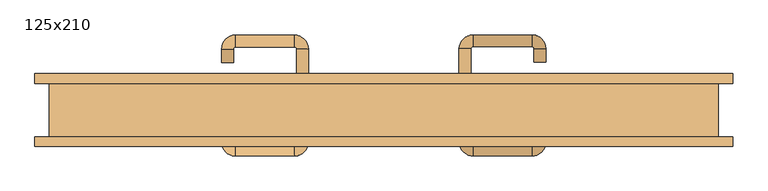
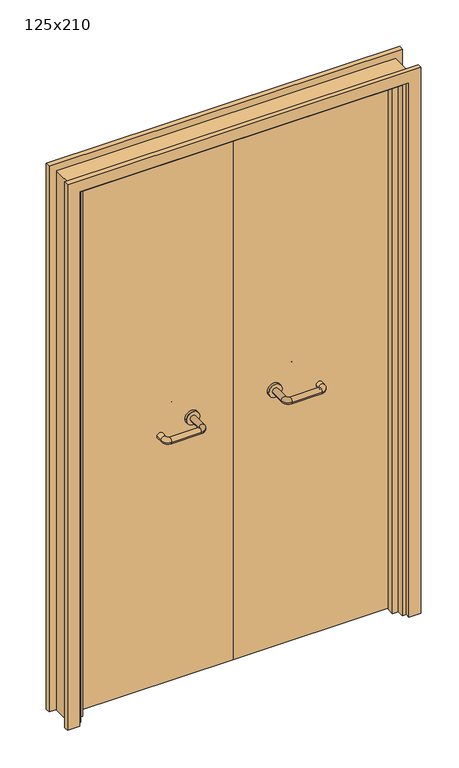
"""IFC4 building model written with IfcOpenShell, lengths in millimetres: door geometry, 125x210."""

from ifc_helpers import new_model, si_unit, point, frame, frame_2d, origin, place, context, project, spatial, polyline, circle_curve, ellipse_curve, trimmed, segment, composite_curve, outline, extrude, faceted_brep, source, transform, mapped, element, save
from ifc_brep_helpers import plane_surface, cylinder_surface, revolved_surface, advanced_brep


def door_125x210_3cc25d5c(model_context):
    return source(origin(), model_context, "Body", "SolidModel", [
        faceted_brep([(-572.0, 3.0, 0.0), (-572.0, -25.0, 0.0), (-593.0, -25.0, 0.0), (-593.0, 3.0, 0.0), (-572.0, 3.0, 2047.0), (-572.0, -25.0, 2047.0), (-593.0, -25.0, 2068.0), (-593.0, 3.0, 2068.0), (572.0, 3.0, 0.0), (593.0, 3.0, 0.0), (593.0, -25.0, 0.0), (572.0, -25.0, 0.0), (572.0, 3.0, 2047.0), (593.0, 3.0, 2068.0), (593.0, -25.0, 2068.0), (572.0, -25.0, 2047.0)], [[[0, 1, 2, 3]], [[1, 0, 4, 5]], [[2, 1, 5, 6]], [[3, 2, 6, 7]], [[0, 3, 7, 4]], [[8, 9, 10, 11]], [[12, 13, 9, 8]], [[13, 14, 10, 9]], [[14, 15, 11, 10]], [[15, 12, 8, 11]], [[5, 4, 12, 15]], [[6, 5, 15, 14]], [[7, 6, 14, 13]], [[4, 7, 13, 12]]]),
        extrude(outline(polyline([(2127.0, 652.0), (2127.0, -652.0), (0.0, -652.0), (0.0, -608.0), (2083.0, -608.0), (2083.0, 608.0), (0.0, 608.0), (0.0, 652.0), (2127.0, 652.0)])), frame((0.0, 50.0, 0.0), z_axis=(0.0, 1.0, 0.0), x_axis=(0.0, 0.0, 1.0)), (0.0, 0.0, 1.0), 18.0),
        extrude(outline(polyline([(2127.0, -652.0), (0.0, -652.0), (0.0, -608.0), (2083.0, -608.0), (2083.0, 608.0), (0.0, 608.0), (0.0, 652.0), (2127.0, 652.0), (2127.0, -652.0)])), frame((0.0, -68.0, 0.0), z_axis=(0.0, 1.0, 0.0), x_axis=(0.0, 0.0, 1.0)), (0.0, 0.0, 1.0), 18.0),
        extrude(outline(polyline([(2100.0, -625.0), (0.0, -625.0), (0.0, -593.0), (2068.0, -593.0), (2068.0, 593.0), (0.0, 593.0), (0.0, 625.0), (2100.0, 625.0), (2100.0, -625.0)])), frame((0.0, -50.0, 0.0), z_axis=(0.0, 1.0, 0.0), x_axis=(0.0, 0.0, 1.0)), (0.0, 0.0, 1.0), 100.0),
        extrude(outline(polyline([(1.0739506, 6.0), (-590.0, 6.0), (-590.0, 50.0), (1.0739506, 50.0), (1.0739506, 6.0)])), frame((0.0, 0.0, 1.753223), z_axis=(0.0, 0.0, 1.0), x_axis=(1.0, 0.0, 0.0)), (0.0, 0.0, 1.0), 2057.246777),
        extrude(outline(polyline([(590.0, 6.0), (1.0739506, 6.0), (1.0739506, 50.0), (590.0, 50.0), (590.0, 6.0)])), frame((0.0, 0.0, 1.753223), z_axis=(0.0, 0.0, 1.0), x_axis=(1.0, 0.0, 0.0)), (0.0, 0.0, 1.0), 2066.246777),
        extrude(outline(polyline([(2100.0, -625.0), (0.0, -625.0), (0.0, -593.0), (2068.0, -593.0), (2068.0, 593.0), (0.0, 593.0), (0.0, 625.0), (2100.0, 625.0), (2100.0, -625.0)])), frame((0.0, -50.0, 0.0), z_axis=(0.0, 1.0, 0.0), x_axis=(0.0, 0.0, 1.0)), (0.0, 0.0, 1.0), 100.0),
        advanced_brep(
        [(140.99898, -4.0, 1003.0), (162.99898, -4.0, 1003.0), (140.99898, -59.3525369, 1003.0), (162.99898, -59.3525369, 1003.0), (166.99898, -63.3525369, 1003.0), (166.99898, -85.3525369, 1003.0), (276.99898, -85.3525369, 1003.0), (276.99898, -63.3525369, 1003.0), (280.99898, -59.3525369, 1003.0), (302.99898, -59.3525369, 1003.0), (302.99898, -42.0, 1003.0), (280.99898, -42.0, 1003.0)],
        [
            (0, 1, circle_curve(frame((151.99898, -4.0, 1003.0), z_axis=(0.0, 1.0, 0.0), x_axis=(1.0, 0.0, 0.0)), 11.0)),
            (1, 0, circle_curve(frame((151.99898, -4.0, 1003.0), z_axis=(0.0, 1.0, 0.0), x_axis=(1.0, 0.0, 0.0)), 11.0)),
            (0, 2),
            (2, 3, circle_curve(frame((151.99898, -59.3525369, 1003.0), z_axis=(0.0, 1.0, 0.0), x_axis=(1.0, 0.0, 0.0)), 11.0)),
            (3, 1),
            (3, 2, circle_curve(frame((151.99898, -59.3525369, 1003.0), z_axis=(0.0, 1.0, 0.0), x_axis=(1.0, 0.0, 0.0)), 11.0)),
            (4, 3, circle_curve(frame((166.99898, -59.3525369, 1003.0), z_axis=(0.0, 0.0, -1.0), x_axis=(-1.0, 0.0, 0.0)), 4.0)),
            (2, 5, circle_curve(frame((166.99898, -59.3525369, 1003.0), z_axis=(0.0, 0.0, 1.0), x_axis=(-1.0, 0.0, 0.0)), 26.0)),
            (5, 4, circle_curve(frame((166.99898, -74.3525369, 1003.0), z_axis=(-1.0, 0.0, 0.0), x_axis=(0.0, 1.0, 0.0)), 11.0)),
            (4, 5, circle_curve(frame((166.99898, -74.3525369, 1003.0), z_axis=(-1.0, 0.0, 0.0), x_axis=(0.0, 1.0, 0.0)), 11.0)),
            (5, 6),
            (6, 7, circle_curve(frame((276.99898, -74.3525369, 1003.0), z_axis=(-1.0, 0.0, 0.0), x_axis=(0.0, 1.0, 0.0)), 11.0)),
            (7, 4),
            (7, 6, circle_curve(frame((276.99898, -74.3525369, 1003.0), z_axis=(-1.0, 0.0, 0.0), x_axis=(0.0, 1.0, 0.0)), 11.0)),
            (8, 7, circle_curve(frame((276.99898, -59.3525369, 1003.0), z_axis=(0.0, 0.0, -1.0), x_axis=(0.0, -1.0, 0.0)), 4.0)),
            (6, 9, circle_curve(frame((276.99898, -59.3525369, 1003.0), z_axis=(0.0, 0.0, 1.0), x_axis=(0.0, -1.0, 0.0)), 26.0)),
            (9, 8, circle_curve(frame((291.99898, -59.3525369, 1003.0), z_axis=(0.0, -1.0, 0.0), x_axis=(-1.0, 0.0, 0.0)), 11.0)),
            (8, 9, circle_curve(frame((291.99898, -59.3525369, 1003.0), z_axis=(0.0, -1.0, 0.0), x_axis=(-1.0, 0.0, 0.0)), 11.0)),
            (10, 11, circle_curve(frame((291.99898, -42.0, 1003.0), z_axis=(0.0, 1.0, 0.0), x_axis=(-1.0, 0.0, 0.0)), 11.0)),
            (11, 10, circle_curve(frame((291.99898, -42.0, 1003.0), z_axis=(0.0, 1.0, 0.0), x_axis=(-1.0, 0.0, 0.0)), 11.0)),
            (9, 10),
            (11, 8),
        ],
        [
            plane_surface(frame((140.99898, -4.0, 1003.0), z_axis=(0.0, 1.0, 0.0), x_axis=(0.0, 0.0, -1.0))),
            cylinder_surface(frame((151.99898, -4.0, 1003.0), z_axis=(0.0, 1.0, 0.0), x_axis=(1.0, 0.0, 0.0)), 11.0),
            revolved_surface(trimmed(ellipse_curve(frame((151.99898, -59.3525369, 1003.0), z_axis=(0.0, 1.0, 0.0), x_axis=(1.0, 0.0, 0.0)), 11.0, 11.0), [point((140.99898, -59.3525369, 1003.0))], [point((162.99898, -59.3525369, 1003.0))], True, "CARTESIAN"), (166.99898, -59.3525369, 1003.0), (0.0, 0.0, 1.0)),
            revolved_surface(trimmed(ellipse_curve(frame((151.99898, -59.3525369, 1003.0), z_axis=(0.0, 1.0, 0.0), x_axis=(1.0, 0.0, 0.0)), 11.0, 11.0), [point((162.99898, -59.3525369, 1003.0))], [point((140.99898, -59.3525369, 1003.0))], True, "CARTESIAN"), (166.99898, -59.3525369, 1003.0), (0.0, 0.0, 1.0)),
            cylinder_surface(frame((166.99898, -74.3525369, 1003.0), z_axis=(-1.0, 0.0, 0.0), x_axis=(0.0, 1.0, 0.0)), 11.0),
            revolved_surface(trimmed(ellipse_curve(frame((276.99898, -74.3525369, 1003.0), z_axis=(-1.0, 0.0, 0.0), x_axis=(0.0, 1.0, 0.0)), 11.0, 11.0), [point((276.99898, -85.3525369, 1003.0))], [point((276.99898, -63.3525369, 1003.0))], True, "CARTESIAN"), (276.99898, -59.3525369, 1003.0), (0.0, 0.0, 1.0)),
            revolved_surface(trimmed(ellipse_curve(frame((276.99898, -74.3525369, 1003.0), z_axis=(-1.0, 0.0, 0.0), x_axis=(0.0, 1.0, 0.0)), 11.0, 11.0), [point((276.99898, -63.3525369, 1003.0))], [point((276.99898, -85.3525369, 1003.0))], True, "CARTESIAN"), (276.99898, -59.3525369, 1003.0), (0.0, 0.0, 1.0)),
            plane_surface(frame((280.99898, -42.0, 1003.0), z_axis=(0.0, 1.0, 0.0), x_axis=(0.0, 0.0, 1.0))),
            cylinder_surface(frame((291.99898, -59.3525369, 1003.0), z_axis=(0.0, -1.0, 0.0), x_axis=(-1.0, 0.0, 0.0)), 11.0),
        ],
        [
            (0, [[1, 2]]),
            (1, [[-1, 3, 4, 5]]),
            (1, [[-2, -5, 6, -3]]),
            (2, [[7, -4, 8, 9]]),
            (3, [[-8, -6, -7, 10]]),
            (4, [[-9, 11, 12, 13]]),
            (4, [[-10, -13, 14, -11]]),
            (5, [[15, -12, 16, 17]]),
            (6, [[-16, -14, -15, 18]]),
            (7, [[19, 20]]),
            (8, [[-17, 21, -20, 22]]),
            (8, [[-18, -22, -19, -21]]),
        ],
    ),
        extrude(outline(composite_curve([segment(trimmed(circle_curve(frame_2d((1003.0, 151.99898)), 25.0), [point((1003.0, 126.99898))], [point((1003.0, 176.99898))], False, "CARTESIAN"), True, "CONTINUOUS"), segment(trimmed(circle_curve(frame_2d((1003.0, 151.99898)), 25.0), [point((1003.0, 176.99898))], [point((1003.0, 126.99898))], False, "CARTESIAN"), True, "CONTINUOUS")], self_intersect=False)), frame((0.0, -4.0, 0.0), z_axis=(0.0, 1.0, 0.0), x_axis=(0.0, 0.0, 1.0)), (0.0, 0.0, 1.0), 10.0),
        advanced_brep(
        [(162.99898, 60.0, 1003.0), (140.99898, 60.0, 1003.0), (162.99898, 115.0, 1003.0), (140.99898, 115.0, 1003.0), (166.99898, 141.0, 1003.0), (166.99898, 119.0, 1003.0), (276.99898, 119.0, 1003.0), (276.99898, 141.0, 1003.0), (302.99898, 115.0, 1003.0), (280.99898, 115.0, 1003.0), (280.99898, 90.0, 1003.0), (302.99898, 90.0, 1003.0)],
        [
            (0, 1, circle_curve(frame((151.99898, 60.0, 1003.0), z_axis=(0.0, -1.0, 0.0), x_axis=(-1.0, 0.0, 0.0)), 11.0)),
            (1, 0, circle_curve(frame((151.99898, 60.0, 1003.0), z_axis=(0.0, -1.0, 0.0), x_axis=(-1.0, 0.0, 0.0)), 11.0)),
            (0, 2),
            (2, 3, circle_curve(frame((151.99898, 115.0, 1003.0), z_axis=(0.0, -1.0, 0.0), x_axis=(-1.0, 0.0, 0.0)), 11.0)),
            (3, 1),
            (3, 2, circle_curve(frame((151.99898, 115.0, 1003.0), z_axis=(0.0, -1.0, 0.0), x_axis=(-1.0, 0.0, 0.0)), 11.0)),
            (4, 3, circle_curve(frame((166.99898, 115.0, 1003.0), z_axis=(0.0, 0.0, 1.0), x_axis=(-1.0, 0.0, 0.0)), 26.0)),
            (2, 5, circle_curve(frame((166.99898, 115.0, 1003.0), z_axis=(0.0, 0.0, -1.0), x_axis=(-1.0, 0.0, 0.0)), 4.0)),
            (5, 4, circle_curve(frame((166.99898, 130.0, 1003.0), z_axis=(-1.0, 0.0, 0.0), x_axis=(0.0, 1.0, 0.0)), 11.0)),
            (4, 5, circle_curve(frame((166.99898, 130.0, 1003.0), z_axis=(-1.0, 0.0, 0.0), x_axis=(0.0, 1.0, 0.0)), 11.0)),
            (5, 6),
            (6, 7, circle_curve(frame((276.99898, 130.0, 1003.0), z_axis=(-1.0, 0.0, 0.0), x_axis=(0.0, 1.0, 0.0)), 11.0)),
            (7, 4),
            (7, 6, circle_curve(frame((276.99898, 130.0, 1003.0), z_axis=(-1.0, 0.0, 0.0), x_axis=(0.0, 1.0, 0.0)), 11.0)),
            (8, 7, circle_curve(frame((276.99898, 115.0, 1003.0), z_axis=(0.0, 0.0, 1.0), x_axis=(0.0, 1.0, 0.0)), 26.0)),
            (6, 9, circle_curve(frame((276.99898, 115.0, 1003.0), z_axis=(0.0, 0.0, -1.0), x_axis=(0.0, 1.0, 0.0)), 4.0)),
            (9, 8, circle_curve(frame((291.99898, 115.0, 1003.0), z_axis=(0.0, 1.0, 0.0), x_axis=(1.0, 0.0, 0.0)), 11.0)),
            (8, 9, circle_curve(frame((291.99898, 115.0, 1003.0), z_axis=(0.0, 1.0, 0.0), x_axis=(1.0, 0.0, 0.0)), 11.0)),
            (10, 11, circle_curve(frame((291.99898, 90.0, 1003.0), z_axis=(0.0, -1.0, 0.0), x_axis=(1.0, 0.0, 0.0)), 11.0)),
            (11, 10, circle_curve(frame((291.99898, 90.0, 1003.0), z_axis=(0.0, -1.0, 0.0), x_axis=(1.0, 0.0, 0.0)), 11.0)),
            (9, 10),
            (11, 8),
        ],
        [
            plane_surface(frame((140.99898, 60.0, 1003.0), z_axis=(0.0, -1.0, 0.0), x_axis=(0.0, 0.0, 1.0))),
            cylinder_surface(frame((151.99898, 60.0, 1003.0), z_axis=(0.0, -1.0, 0.0), x_axis=(-1.0, 0.0, 0.0)), 11.0),
            revolved_surface(trimmed(ellipse_curve(frame((151.99898, 115.0, 1003.0), z_axis=(0.0, -1.0, 0.0), x_axis=(-1.0, 0.0, 0.0)), 11.0, 11.0), [point((162.99898, 115.0, 1003.0))], [point((140.99898, 115.0, 1003.0))], True, "CARTESIAN"), (166.99898, 115.0, 1003.0), (0.0, 0.0, -1.0)),
            revolved_surface(trimmed(ellipse_curve(frame((151.99898, 115.0, 1003.0), z_axis=(0.0, -1.0, 0.0), x_axis=(-1.0, 0.0, 0.0)), 11.0, 11.0), [point((140.99898, 115.0, 1003.0))], [point((162.99898, 115.0, 1003.0))], True, "CARTESIAN"), (166.99898, 115.0, 1003.0), (0.0, 0.0, -1.0)),
            cylinder_surface(frame((166.99898, 130.0, 1003.0), z_axis=(-1.0, 0.0, 0.0), x_axis=(0.0, 1.0, 0.0)), 11.0),
            revolved_surface(trimmed(ellipse_curve(frame((276.99898, 130.0, 1003.0), z_axis=(-1.0, 0.0, 0.0), x_axis=(0.0, 1.0, 0.0)), 11.0, 11.0), [point((276.99898, 119.0, 1003.0))], [point((276.99898, 141.0, 1003.0))], True, "CARTESIAN"), (276.99898, 115.0, 1003.0), (0.0, 0.0, -1.0)),
            revolved_surface(trimmed(ellipse_curve(frame((276.99898, 130.0, 1003.0), z_axis=(-1.0, 0.0, 0.0), x_axis=(0.0, 1.0, 0.0)), 11.0, 11.0), [point((276.99898, 141.0, 1003.0))], [point((276.99898, 119.0, 1003.0))], True, "CARTESIAN"), (276.99898, 115.0, 1003.0), (0.0, 0.0, -1.0)),
            plane_surface(frame((280.99898, 90.0, 1003.0), z_axis=(0.0, -1.0, 0.0), x_axis=(0.0, 0.0, -1.0))),
            cylinder_surface(frame((291.99898, 115.0, 1003.0), z_axis=(0.0, 1.0, 0.0), x_axis=(1.0, 0.0, 0.0)), 11.0),
        ],
        [
            (0, [[1, 2]]),
            (1, [[-1, 3, 4, 5]]),
            (1, [[-2, -5, 6, -3]]),
            (2, [[7, -4, 8, 9]]),
            (3, [[-8, -6, -7, 10]]),
            (4, [[-9, 11, 12, 13]]),
            (4, [[-10, -13, 14, -11]]),
            (5, [[15, -12, 16, 17]]),
            (6, [[-16, -14, -15, 18]]),
            (7, [[19, 20]]),
            (8, [[-17, 21, -20, 22]]),
            (8, [[-18, -22, -19, -21]]),
        ],
    ),
        extrude(outline(composite_curve([segment(trimmed(circle_curve(frame_2d((1003.0, 151.99898)), 25.0), [point((1003.0, 176.99898))], [point((1003.0, 126.99898))], False, "CARTESIAN"), True, "CONTINUOUS"), segment(trimmed(circle_curve(frame_2d((1003.0, 151.99898)), 25.0), [point((1003.0, 126.99898))], [point((1003.0, 176.99898))], False, "CARTESIAN"), True, "CONTINUOUS")], self_intersect=False)), frame((0.0, 50.0, 0.0), z_axis=(0.0, 1.0, 0.0), x_axis=(0.0, 0.0, 1.0)), (0.0, 0.0, 1.0), 10.0),
        advanced_brep(
        [(-162.99898, -4.3113879, 1003.0), (-140.99898, -4.3113879, 1003.0), (-162.99898, -59.7220447, 1003.0), (-140.99898, -59.7220447, 1003.0), (-166.99898, -85.7220447, 1003.0), (-166.99898, -63.7220447, 1003.0), (-276.99898, -63.7220447, 1003.0), (-276.99898, -85.7220447, 1003.0), (-302.99898, -59.7220447, 1003.0), (-280.99898, -59.7220447, 1003.0), (-280.99898, -34.7220447, 1003.0), (-302.99898, -34.7220447, 1003.0)],
        [
            (0, 1, circle_curve(frame((-151.99898, -4.3113879, 1003.0), z_axis=(0.0, 1.0, 0.0), x_axis=(1.0, 0.0, 0.0)), 11.0)),
            (1, 0, circle_curve(frame((-151.99898, -4.3113879, 1003.0), z_axis=(0.0, 1.0, 0.0), x_axis=(1.0, 0.0, 0.0)), 11.0)),
            (0, 2),
            (2, 3, circle_curve(frame((-151.99898, -59.7220447, 1003.0), z_axis=(0.0, 1.0, 0.0), x_axis=(1.0, 0.0, 0.0)), 11.0)),
            (3, 1),
            (3, 2, circle_curve(frame((-151.99898, -59.7220447, 1003.0), z_axis=(0.0, 1.0, 0.0), x_axis=(1.0, 0.0, 0.0)), 11.0)),
            (4, 3, circle_curve(frame((-166.99898, -59.7220447, 1003.0), z_axis=(0.0, 0.0, 1.0), x_axis=(1.0, 0.0, 0.0)), 26.0)),
            (2, 5, circle_curve(frame((-166.99898, -59.7220447, 1003.0), z_axis=(0.0, 0.0, -1.0), x_axis=(1.0, 0.0, 0.0)), 4.0)),
            (5, 4, circle_curve(frame((-166.99898, -74.7220447, 1003.0), z_axis=(1.0, 0.0, 0.0), x_axis=(0.0, -1.0, 0.0)), 11.0)),
            (4, 5, circle_curve(frame((-166.99898, -74.7220447, 1003.0), z_axis=(1.0, 0.0, 0.0), x_axis=(0.0, -1.0, 0.0)), 11.0)),
            (5, 6),
            (6, 7, circle_curve(frame((-276.99898, -74.7220447, 1003.0), z_axis=(1.0, 0.0, 0.0), x_axis=(0.0, -1.0, 0.0)), 11.0)),
            (7, 4),
            (7, 6, circle_curve(frame((-276.99898, -74.7220447, 1003.0), z_axis=(1.0, 0.0, 0.0), x_axis=(0.0, -1.0, 0.0)), 11.0)),
            (8, 7, circle_curve(frame((-276.99898, -59.7220447, 1003.0), z_axis=(0.0, 0.0, 1.0), x_axis=(0.0, -1.0, 0.0)), 26.0)),
            (6, 9, circle_curve(frame((-276.99898, -59.7220447, 1003.0), z_axis=(0.0, 0.0, -1.0), x_axis=(0.0, -1.0, 0.0)), 4.0)),
            (9, 8, circle_curve(frame((-291.99898, -59.7220447, 1003.0), z_axis=(0.0, -1.0, 0.0), x_axis=(-1.0, 0.0, 0.0)), 11.0)),
            (8, 9, circle_curve(frame((-291.99898, -59.7220447, 1003.0), z_axis=(0.0, -1.0, 0.0), x_axis=(-1.0, 0.0, 0.0)), 11.0)),
            (10, 11, circle_curve(frame((-291.99898, -34.7220447, 1003.0), z_axis=(0.0, 1.0, 0.0), x_axis=(-1.0, 0.0, 0.0)), 11.0)),
            (11, 10, circle_curve(frame((-291.99898, -34.7220447, 1003.0), z_axis=(0.0, 1.0, 0.0), x_axis=(-1.0, 0.0, 0.0)), 11.0)),
            (9, 10),
            (11, 8),
        ],
        [
            plane_surface(frame((-162.99898, -4.3113879, 1003.0), z_axis=(0.0, 1.0, 0.0), x_axis=(0.0, 0.0, -1.0))),
            cylinder_surface(frame((-151.99898, -4.3113879, 1003.0), z_axis=(0.0, 1.0, 0.0), x_axis=(1.0, 0.0, 0.0)), 11.0),
            revolved_surface(trimmed(ellipse_curve(frame((-151.99898, -59.7220447, 1003.0), z_axis=(0.0, 1.0, 0.0), x_axis=(1.0, 0.0, 0.0)), 11.0, 11.0), [point((-162.99898, -59.7220447, 1003.0))], [point((-140.99898, -59.7220447, 1003.0))], True, "CARTESIAN"), (-166.99898, -59.7220447, 1003.0), (0.0, 0.0, -1.0)),
            revolved_surface(trimmed(ellipse_curve(frame((-151.99898, -59.7220447, 1003.0), z_axis=(0.0, 1.0, 0.0), x_axis=(1.0, 0.0, 0.0)), 11.0, 11.0), [point((-140.99898, -59.7220447, 1003.0))], [point((-162.99898, -59.7220447, 1003.0))], True, "CARTESIAN"), (-166.99898, -59.7220447, 1003.0), (0.0, 0.0, -1.0)),
            cylinder_surface(frame((-166.99898, -74.7220447, 1003.0), z_axis=(1.0, 0.0, 0.0), x_axis=(0.0, -1.0, 0.0)), 11.0),
            revolved_surface(trimmed(ellipse_curve(frame((-276.99898, -74.7220447, 1003.0), z_axis=(1.0, 0.0, 0.0), x_axis=(0.0, -1.0, 0.0)), 11.0, 11.0), [point((-276.99898, -63.7220447, 1003.0))], [point((-276.99898, -85.7220447, 1003.0))], True, "CARTESIAN"), (-276.99898, -59.7220447, 1003.0), (0.0, 0.0, -1.0)),
            revolved_surface(trimmed(ellipse_curve(frame((-276.99898, -74.7220447, 1003.0), z_axis=(1.0, 0.0, 0.0), x_axis=(0.0, -1.0, 0.0)), 11.0, 11.0), [point((-276.99898, -85.7220447, 1003.0))], [point((-276.99898, -63.7220447, 1003.0))], True, "CARTESIAN"), (-276.99898, -59.7220447, 1003.0), (0.0, 0.0, -1.0)),
            plane_surface(frame((-302.99898, -34.7220447, 1003.0), z_axis=(0.0, 1.0, 0.0), x_axis=(0.0, 0.0, 1.0))),
            cylinder_surface(frame((-291.99898, -59.7220447, 1003.0), z_axis=(0.0, -1.0, 0.0), x_axis=(-1.0, 0.0, 0.0)), 11.0),
        ],
        [
            (0, [[1, 2]]),
            (1, [[-1, 3, 4, 5]]),
            (1, [[-2, -5, 6, -3]]),
            (2, [[7, -4, 8, 9]]),
            (3, [[-8, -6, -7, 10]]),
            (4, [[-9, 11, 12, 13]]),
            (4, [[-10, -13, 14, -11]]),
            (5, [[15, -12, 16, 17]]),
            (6, [[-16, -14, -15, 18]]),
            (7, [[19, 20]]),
            (8, [[-17, 21, -20, 22]]),
            (8, [[-18, -22, -19, -21]]),
        ],
    ),
        extrude(outline(composite_curve([segment(trimmed(circle_curve(frame_2d((1003.0, -151.99898)), 25.0), [point((1003.0, -176.99898))], [point((1003.0, -126.99898))], False, "CARTESIAN"), True, "CONTINUOUS"), segment(trimmed(circle_curve(frame_2d((1003.0, -151.99898)), 25.0), [point((1003.0, -126.99898))], [point((1003.0, -176.99898))], False, "CARTESIAN"), True, "CONTINUOUS")], self_intersect=False)), frame((0.0, -4.3113879, 0.0), z_axis=(0.0, 1.0, 0.0), x_axis=(0.0, 0.0, 1.0)), (0.0, 0.0, 1.0), 10.3113879),
        advanced_brep(
        [(-140.99898, 59.5143417, 1003.0), (-162.99898, 59.5143417, 1003.0), (-140.99898, 114.6104656, 1003.0), (-162.99898, 114.6104656, 1003.0), (-166.99898, 118.6104656, 1003.0), (-166.99898, 140.6104656, 1003.0), (-276.99898, 140.6104656, 1003.0), (-276.99898, 118.6104656, 1003.0), (-280.99898, 114.6104656, 1003.0), (-302.99898, 114.6104656, 1003.0), (-302.99898, 89.6104656, 1003.0), (-280.99898, 89.6104656, 1003.0)],
        [
            (0, 1, circle_curve(frame((-151.99898, 59.5143417, 1003.0), z_axis=(0.0, -1.0, 0.0), x_axis=(-1.0, 0.0, 0.0)), 11.0)),
            (1, 0, circle_curve(frame((-151.99898, 59.5143417, 1003.0), z_axis=(0.0, -1.0, 0.0), x_axis=(-1.0, 0.0, 0.0)), 11.0)),
            (0, 2),
            (2, 3, circle_curve(frame((-151.99898, 114.6104656, 1003.0), z_axis=(0.0, -1.0, 0.0), x_axis=(-1.0, 0.0, 0.0)), 11.0)),
            (3, 1),
            (3, 2, circle_curve(frame((-151.99898, 114.6104656, 1003.0), z_axis=(0.0, -1.0, 0.0), x_axis=(-1.0, 0.0, 0.0)), 11.0)),
            (4, 3, circle_curve(frame((-166.99898, 114.6104656, 1003.0), z_axis=(0.0, 0.0, -1.0), x_axis=(1.0, 0.0, 0.0)), 4.0)),
            (2, 5, circle_curve(frame((-166.99898, 114.6104656, 1003.0), z_axis=(0.0, 0.0, 1.0), x_axis=(1.0, 0.0, 0.0)), 26.0)),
            (5, 4, circle_curve(frame((-166.99898, 129.6104656, 1003.0), z_axis=(1.0, 0.0, 0.0), x_axis=(0.0, -1.0, 0.0)), 11.0)),
            (4, 5, circle_curve(frame((-166.99898, 129.6104656, 1003.0), z_axis=(1.0, 0.0, 0.0), x_axis=(0.0, -1.0, 0.0)), 11.0)),
            (5, 6),
            (6, 7, circle_curve(frame((-276.99898, 129.6104656, 1003.0), z_axis=(1.0, 0.0, 0.0), x_axis=(0.0, -1.0, 0.0)), 11.0)),
            (7, 4),
            (7, 6, circle_curve(frame((-276.99898, 129.6104656, 1003.0), z_axis=(1.0, 0.0, 0.0), x_axis=(0.0, -1.0, 0.0)), 11.0)),
            (8, 7, circle_curve(frame((-276.99898, 114.6104656, 1003.0), z_axis=(0.0, 0.0, -1.0), x_axis=(0.0, 1.0, 0.0)), 4.0)),
            (6, 9, circle_curve(frame((-276.99898, 114.6104656, 1003.0), z_axis=(0.0, 0.0, 1.0), x_axis=(0.0, 1.0, 0.0)), 26.0)),
            (9, 8, circle_curve(frame((-291.99898, 114.6104656, 1003.0), z_axis=(0.0, 1.0, 0.0), x_axis=(1.0, 0.0, 0.0)), 11.0)),
            (8, 9, circle_curve(frame((-291.99898, 114.6104656, 1003.0), z_axis=(0.0, 1.0, 0.0), x_axis=(1.0, 0.0, 0.0)), 11.0)),
            (10, 11, circle_curve(frame((-291.99898, 89.6104656, 1003.0), z_axis=(0.0, -1.0, 0.0), x_axis=(1.0, 0.0, 0.0)), 11.0)),
            (11, 10, circle_curve(frame((-291.99898, 89.6104656, 1003.0), z_axis=(0.0, -1.0, 0.0), x_axis=(1.0, 0.0, 0.0)), 11.0)),
            (9, 10),
            (11, 8),
        ],
        [
            plane_surface(frame((-162.99898, 59.5143417, 1003.0), z_axis=(0.0, -1.0, 0.0), x_axis=(0.0, 0.0, 1.0))),
            cylinder_surface(frame((-151.99898, 59.5143417, 1003.0), z_axis=(0.0, -1.0, 0.0), x_axis=(-1.0, 0.0, 0.0)), 11.0),
            revolved_surface(trimmed(ellipse_curve(frame((-151.99898, 114.6104656, 1003.0), z_axis=(0.0, -1.0, 0.0), x_axis=(-1.0, 0.0, 0.0)), 11.0, 11.0), [point((-140.99898, 114.6104656, 1003.0))], [point((-162.99898, 114.6104656, 1003.0))], True, "CARTESIAN"), (-166.99898, 114.6104656, 1003.0), (0.0, 0.0, 1.0)),
            revolved_surface(trimmed(ellipse_curve(frame((-151.99898, 114.6104656, 1003.0), z_axis=(0.0, -1.0, 0.0), x_axis=(-1.0, 0.0, 0.0)), 11.0, 11.0), [point((-162.99898, 114.6104656, 1003.0))], [point((-140.99898, 114.6104656, 1003.0))], True, "CARTESIAN"), (-166.99898, 114.6104656, 1003.0), (0.0, 0.0, 1.0)),
            cylinder_surface(frame((-166.99898, 129.6104656, 1003.0), z_axis=(1.0, 0.0, 0.0), x_axis=(0.0, -1.0, 0.0)), 11.0),
            revolved_surface(trimmed(ellipse_curve(frame((-276.99898, 129.6104656, 1003.0), z_axis=(1.0, 0.0, 0.0), x_axis=(0.0, -1.0, 0.0)), 11.0, 11.0), [point((-276.99898, 140.6104656, 1003.0))], [point((-276.99898, 118.6104656, 1003.0))], True, "CARTESIAN"), (-276.99898, 114.6104656, 1003.0), (0.0, 0.0, 1.0)),
            revolved_surface(trimmed(ellipse_curve(frame((-276.99898, 129.6104656, 1003.0), z_axis=(1.0, 0.0, 0.0), x_axis=(0.0, -1.0, 0.0)), 11.0, 11.0), [point((-276.99898, 118.6104656, 1003.0))], [point((-276.99898, 140.6104656, 1003.0))], True, "CARTESIAN"), (-276.99898, 114.6104656, 1003.0), (0.0, 0.0, 1.0)),
            plane_surface(frame((-302.99898, 89.6104656, 1003.0), z_axis=(0.0, -1.0, 0.0), x_axis=(0.0, 0.0, -1.0))),
            cylinder_surface(frame((-291.99898, 114.6104656, 1003.0), z_axis=(0.0, 1.0, 0.0), x_axis=(1.0, 0.0, 0.0)), 11.0),
        ],
        [
            (0, [[1, 2]]),
            (1, [[-1, 3, 4, 5]]),
            (1, [[-2, -5, 6, -3]]),
            (2, [[7, -4, 8, 9]]),
            (3, [[-8, -6, -7, 10]]),
            (4, [[-9, 11, 12, 13]]),
            (4, [[-10, -13, 14, -11]]),
            (5, [[15, -12, 16, 17]]),
            (6, [[-16, -14, -15, 18]]),
            (7, [[19, 20]]),
            (8, [[-17, 21, -20, 22]]),
            (8, [[-18, -22, -19, -21]]),
        ],
    ),
        extrude(outline(composite_curve([segment(trimmed(circle_curve(frame_2d((1003.0, -151.99898)), 25.0), [point((1003.0, -126.99898))], [point((1003.0, -176.99898))], False, "CARTESIAN"), True, "CONTINUOUS"), segment(trimmed(circle_curve(frame_2d((1003.0, -151.99898)), 25.0), [point((1003.0, -176.99898))], [point((1003.0, -126.99898))], False, "CARTESIAN"), True, "CONTINUOUS")], self_intersect=False)), frame((0.0, 50.0, 0.0), z_axis=(0.0, 1.0, 0.0), x_axis=(0.0, 0.0, 1.0)), (0.0, 0.0, 1.0), 9.5143417),
    ])


if __name__ == "__main__":
    model = new_model("IFC4")
    model_context = context("Model", 3, world=origin())
    ifc_project = project(units=[si_unit("LENGTHUNIT", "METRE", prefix="MILLI")], contexts=[model_context])
    site = spatial("IfcSite", under=ifc_project)
    building = spatial("IfcBuilding", under=site)
    placement = place(None, origin())
    door_125x210_shape = door_125x210_3cc25d5c(model_context)
    element("IfcDoor", 1, ObjectType="125x210", at=placement, inside=building, context=model_context, shape_type="MappedRepresentation", body=[
        mapped(door_125x210_shape, transform((0.0, 0.0, 0.0), x_axis=(1.0, 0.0, 0.0), y_axis=(0.0, 1.0, 0.0), z_axis=(0.0, 0.0, 1.0))),
    ])
    save(model, "model.ifc")
